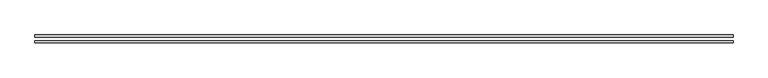
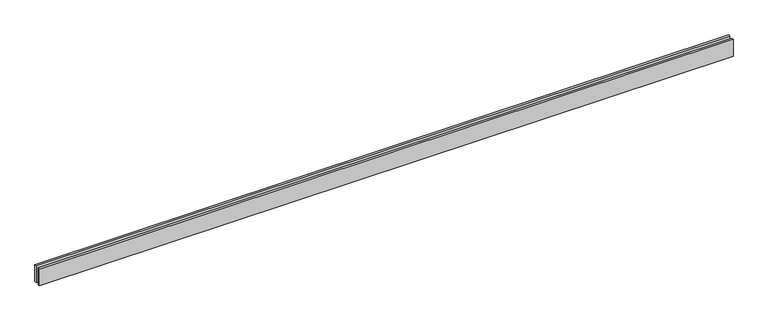
"""IFC4 building model written with IfcOpenShell, lengths in millimetres: proxy geometry."""

from ifc_helpers import new_model, si_unit, origin, origin_with_axes, place, context, project, spatial, polyline, outline, extrude, source, transform, mapped, element, save


def generic_models_f91e3f95(model_context):
    return source(origin(), model_context, "Body", "SweptSolid", [
        extrude(outline(polyline([(9842.9263941, 25.0), (0.0, 25.0), (0.0, 55.0), (9842.9263941, 55.0), (9842.9263941, 25.0)])), origin_with_axes(), (0.0, 0.0, 1.0), 250.0),
        extrude(outline(polyline([(9842.9263941, -55.0), (0.0, -55.0), (0.0, -25.0), (9842.9263941, -25.0), (9842.9263941, -55.0)])), origin_with_axes(), (0.0, 0.0, 1.0), 250.0),
    ])


if __name__ == "__main__":
    model = new_model("IFC4")
    model_context = context("Model", 3, world=origin())
    ifc_project = project(units=[si_unit("LENGTHUNIT", "METRE", prefix="MILLI")], contexts=[model_context])
    site = spatial("IfcSite", under=ifc_project)
    building = spatial("IfcBuilding", under=site)
    placement = place(None, origin())
    generic_models_shape = generic_models_f91e3f95(model_context)
    element("IfcBuildingElementProxy", 1, Name="Generic Models", at=placement, inside=building, context=model_context, shape_type="MappedRepresentation", body=[
        mapped(generic_models_shape, transform((0.0, 0.0, 0.0), x_axis=(1.0, 0.0, 0.0), y_axis=(0.0, 1.0, 0.0), z_axis=(0.0, 0.0, 1.0))),
    ])
    save(model, "model.ifc")
